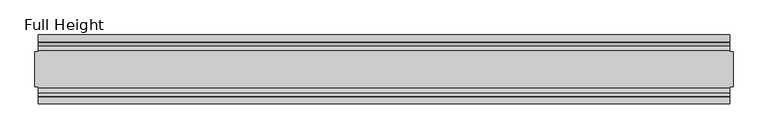
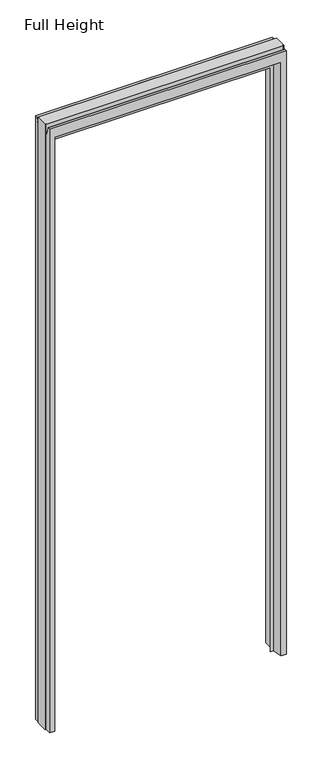
"""IFC4 building model written with IfcOpenShell, lengths in millimetres: plate geometry, Full Height."""

from ifc_helpers import new_model, si_unit, frame, origin, place, context, project, spatial, polyline, circle_curve, source, transform, mapped, element, save
from ifc_brep_helpers import plane_surface, cylinder_surface, revolved_surface, advanced_brep


def full_height_f71af475(model_context):
    return source(origin(), model_context, "Body", "AdvancedBrep", [
        advanced_brep(
        [(-503.428, -50.0, 0.0), (-503.428, -25.146, 0.0), (-508.0, -25.146, 0.0), (-508.0, 25.146, 0.0), (-503.428, 25.146, 0.0), (-503.428, 50.0, 0.0), (-475.361, 50.0, 0.0), (-475.361, -4.8306519, 0.0), (-462.661, -4.8306519, 0.0), (-462.661, -6.1006519, 0.0), (-475.361, -6.1006519, 0.0), (-481.33, -50.0, 0.0), (503.428, 50.0, 0.0), (503.428, 25.146, 0.0), (508.0, 25.146, 0.0), (508.0, -25.146, 0.0), (503.428, -25.146, 0.0), (503.428, -50.0, 0.0), (481.33, -50.0, 0.0), (475.361, -6.1006519, 0.0), (462.661, -6.1006519, 0.0), (462.661, -4.8306519, 0.0), (475.361, -4.8306519, 0.0), (475.361, 50.0, 0.0), (508.0, -25.146, 2720.34), (508.0, 25.146, 2720.34), (503.428, 25.146, 2720.34), (503.428, 26.67, 2720.34), (-503.428, 26.67, 2720.34), (-503.428, 25.146, 2720.34), (-508.0, 25.146, 2720.34), (-508.0, -25.146, 2720.34), (-503.428, -25.146, 2720.34), (-503.428, -26.67, 2720.34), (503.428, -26.67, 2720.34), (503.428, -25.146, 2720.34), (-503.428, 26.67, 2683.129), (-503.428, 34.2321175, 2682.4674004), (-503.428, 39.1867152, 2710.5663199), (-503.428, 39.9371387, 2711.196), (-503.428, 50.0, 2711.196), (-503.428, -50.0, 2711.196), (-503.428, -39.9371387, 2711.196), (-503.428, -39.1867152, 2710.5663199), (-503.428, -34.2321175, 2682.4674004), (-503.428, -26.67, 2683.129), (503.428, 50.0, 2711.196), (475.361, 50.0, 2666.619), (-475.361, 50.0, 2666.619), (-481.33, -50.0, 2666.619), (481.33, -50.0, 2666.619), (503.428, -50.0, 2711.196), (503.428, -26.67, 2683.129), (503.428, -34.2321175, 2682.4674004), (503.428, -39.1867152, 2710.5663199), (503.428, -39.9371387, 2711.196), (503.428, 39.9371387, 2711.196), (503.428, 39.1867152, 2710.5663199), (503.428, 34.2321175, 2682.4674004), (503.428, 26.67, 2683.129), (-475.361, -4.8306519, 2666.619), (475.361, -4.8306519, 2666.619), (462.661, -4.8306519, 2622.55), (-462.661, -4.8306519, 2622.55), (-462.661, -6.1006519, 2622.55), (462.661, -6.1006519, 2622.55), (475.361, -6.1006519, 2660.65), (-475.361, -6.1006519, 2660.65)],
        [
            (0, 1),
            (1, 2),
            (2, 3),
            (3, 4),
            (4, 5),
            (5, 6),
            (6, 7),
            (7, 8),
            (8, 9),
            (9, 10),
            (10, 11),
            (11, 0),
            (12, 13),
            (13, 14),
            (14, 15),
            (15, 16),
            (16, 17),
            (17, 18),
            (18, 19),
            (19, 20),
            (20, 21),
            (21, 22),
            (22, 23),
            (23, 12),
            (24, 25),
            (25, 26),
            (26, 27),
            (27, 28),
            (28, 29),
            (29, 30),
            (30, 31),
            (31, 32),
            (32, 33),
            (33, 34),
            (34, 35),
            (35, 24),
            (15, 24),
            (35, 16),
            (25, 14),
            (13, 26),
            (30, 3),
            (2, 31),
            (29, 4),
            (1, 32),
            (28, 36),
            (36, 37, circle_curve(frame((-503.428, 30.48, 2683.129), z_axis=(1.0, 0.0, 0.0), x_axis=(0.0, 1.0, 0.0)), 3.81)),
            (37, 38),
            (38, 39, circle_curve(frame((-503.428, 39.9371387, 2710.434), z_axis=(-1.0, 0.0, 0.0), x_axis=(0.0, 1.0, 0.0)), 0.762)),
            (39, 40),
            (40, 5),
            (0, 41),
            (41, 42),
            (42, 43, circle_curve(frame((-503.428, -39.9371387, 2710.434), z_axis=(-1.0, 0.0, 0.0), x_axis=(0.0, 1.0, 0.0)), 0.762)),
            (43, 44),
            (44, 45, circle_curve(frame((-503.428, -30.48, 2683.129), z_axis=(1.0, 0.0, 0.0), x_axis=(0.0, 1.0, 0.0)), 3.81)),
            (45, 33),
            (40, 46),
            (46, 12),
            (23, 47),
            (47, 48),
            (48, 6),
            (11, 49),
            (49, 50),
            (50, 18),
            (17, 51),
            (51, 41),
            (34, 52),
            (52, 53, circle_curve(frame((503.428, -30.48, 2683.129), z_axis=(-1.0, 0.0, 0.0), x_axis=(0.0, 1.0, 0.0)), 3.81)),
            (53, 54),
            (54, 55, circle_curve(frame((503.428, -39.9371387, 2710.434), z_axis=(1.0, 0.0, 0.0), x_axis=(0.0, 1.0, 0.0)), 0.762)),
            (55, 51),
            (46, 56),
            (56, 57, circle_curve(frame((503.428, 39.9371387, 2710.434), z_axis=(1.0, 0.0, 0.0), x_axis=(0.0, 1.0, 0.0)), 0.762)),
            (57, 58),
            (58, 59, circle_curve(frame((503.428, 30.48, 2683.129), z_axis=(-1.0, 0.0, 0.0), x_axis=(0.0, 1.0, 0.0)), 3.81)),
            (59, 27),
            (48, 60),
            (60, 7),
            (61, 47),
            (22, 61),
            (60, 61),
            (21, 62),
            (62, 63),
            (63, 8),
            (63, 64),
            (64, 9),
            (64, 65),
            (65, 20),
            (19, 66),
            (66, 67),
            (67, 10),
            (67, 49),
            (50, 66),
            (65, 62),
            (45, 52),
            (44, 53),
            (43, 54),
            (42, 55),
            (39, 56),
            (38, 57),
            (37, 58),
            (36, 59),
        ],
        [
            plane_surface(frame((-503.428, 50.0, 0.0), z_axis=(0.0, 0.0, -1.0), x_axis=(0.0, -1.0, 0.0))),
            plane_surface(frame((503.428, -25.146, 2720.34), z_axis=(0.0, 0.0, 1.0), x_axis=(-1.0, 0.0, 0.0))),
            plane_surface(frame((508.0, -25.146, 2720.34), z_axis=(0.0, -1.0, 0.0), x_axis=(0.0, 0.0, -1.0))),
            plane_surface(frame((503.428, 25.146, 2720.34), z_axis=(0.0, 1.0, 0.0), x_axis=(0.0, 0.0, -1.0))),
            plane_surface(frame((508.0, 25.146, 2720.34), z_axis=(1.0, 0.0, 0.0), x_axis=(0.0, 0.0, -1.0))),
            plane_surface(frame((-508.0, -25.146, 2720.34), z_axis=(-1.0, 0.0, 0.0), x_axis=(0.0, 0.0, -1.0))),
            plane_surface(frame((-508.0, 25.146, 2720.34), z_axis=(0.0, 1.0, 0.0), x_axis=(0.0, 0.0, -1.0))),
            plane_surface(frame((-503.428, -25.146, 2720.34), z_axis=(0.0, -1.0, 0.0), x_axis=(0.0, 0.0, -1.0))),
            plane_surface(frame((-503.428, -50.0, 2678.4046), z_axis=(-1.0, 0.0, 0.0), x_axis=(0.0, 0.0, -1.0))),
            plane_surface(frame((-503.428, 50.0, 2678.4046), z_axis=(0.0, 1.0, 0.0), x_axis=(0.0, 0.0, -1.0))),
            plane_surface(frame((-481.33, -50.0, 2678.4046), z_axis=(0.0, -1.0, 0.0), x_axis=(0.0, 0.0, -1.0))),
            plane_surface(frame((503.428, 50.0, 2678.4046), z_axis=(1.0, 0.0, 0.0), x_axis=(0.0, 0.0, -1.0))),
            plane_surface(frame((-475.361, 50.0, 2678.4046), z_axis=(1.0, 0.0, 0.0), x_axis=(0.0, 0.0, -1.0))),
            plane_surface(frame((475.361, -4.8306519, 2678.4046), z_axis=(-1.0, 0.0, 0.0), x_axis=(0.0, 0.0, -1.0))),
            plane_surface(frame((-475.361, -4.8306519, 2678.4046), z_axis=(0.0, 1.0, 0.0), x_axis=(0.0, 0.0, -1.0))),
            plane_surface(frame((-462.661, -4.8306519, 2678.4046), z_axis=(1.0, 0.0, 0.0), x_axis=(0.0, 0.0, -1.0))),
            plane_surface(frame((-462.661, -6.1006519, 2678.4046), z_axis=(0.0, -1.0, 0.0), x_axis=(0.0, 0.0, -1.0))),
            plane_surface(frame((-475.361, -6.1006519, 2678.4046), z_axis=(0.9908822943533605, -0.13473039277394036, 0.0), x_axis=(0.0, 0.0, -1.0))),
            plane_surface(frame((481.33, -50.0, 2678.4046), z_axis=(-0.990882294353361, -0.13473039277393736, 0.0), x_axis=(0.0, 0.0, -1.0))),
            plane_surface(frame((462.661, -6.1006519, 2678.4046), z_axis=(-1.0, 0.0, 0.0), x_axis=(0.0, 0.0, -1.0))),
            plane_surface(frame((-503.428, -26.67, 2720.34), z_axis=(0.0, -1.0, 0.0), x_axis=(1.0, 0.0, 0.0))),
            revolved_surface(polyline([(503.428, -26.67, 2683.129), (-503.428, -26.67, 2683.129)]), (503.428, -30.48, 2683.129), (1.0, 0.0, 0.0)),
            plane_surface(frame((-503.428, -34.2321175, 2682.4674004), z_axis=(0.0, 0.9848077530121587, 0.1736481776672104), x_axis=(1.0, 0.0, 0.0))),
            cylinder_surface(frame((503.428, -39.9371387, 2710.434), z_axis=(-1.0, 0.0, 0.0), x_axis=(0.0, 1.0, 0.0)), 0.762),
            plane_surface(frame((-503.428, -39.9371387, 2711.196), z_axis=(0.0, 0.0, 1.0), x_axis=(1.0, 0.0, 0.0))),
            plane_surface(frame((-503.428, -4.8306519, 2666.619), z_axis=(0.0, 0.0, -1.0), x_axis=(1.0, 0.0, 0.0))),
            plane_surface(frame((-503.428, 50.0, 2711.196), z_axis=(0.0, 0.0, 1.0), x_axis=(1.0, 0.0, 0.0))),
            cylinder_surface(frame((503.428, 39.9371387, 2710.434), z_axis=(-1.0, 0.0, 0.0), x_axis=(0.0, 1.0, 0.0)), 0.762),
            plane_surface(frame((-503.428, 39.1867152, 2710.5663199), z_axis=(0.0, -0.9848077530121684, 0.1736481776671558), x_axis=(1.0, 0.0, 0.0))),
            revolved_surface(polyline([(503.428, 34.29, 2683.129), (-503.428, 34.29, 2683.129)]), (503.428, 30.48, 2683.129), (1.0, 0.0, 0.0)),
            plane_surface(frame((-503.428, 26.67, 2683.129), z_axis=(0.0, 1.0, 0.0), x_axis=(1.0, 0.0, 0.0))),
            plane_surface(frame((-503.428, -50.0, 2666.619), z_axis=(0.0, -0.13473039277391335, -0.9908822943533642), x_axis=(1.0, 0.0, 0.0))),
            plane_surface(frame((-503.428, -6.1006519, 2622.55), z_axis=(0.0, 0.0, -1.0), x_axis=(1.0, 0.0, 0.0))),
        ],
        [
            (0, [[1, 2, 3, 4, 5, 6, 7, 8, 9, 10, 11, 12]]),
            (0, [[13, 14, 15, 16, 17, 18, 19, 20, 21, 22, 23, 24]]),
            (1, [[25, 26, 27, 28, 29, 30, 31, 32, 33, 34, 35, 36]]),
            (2, [[-16, 37, -36, 38]]),
            (3, [[39, -14, 40, -26]]),
            (4, [[-37, -15, -39, -25]]),
            (5, [[41, -3, 42, -31]]),
            (6, [[-4, -41, -30, 43]]),
            (7, [[-42, -2, 44, -32]]),
            (8, [[-43, -29, 45, 46, 47, 48, 49, 50, -5]]),
            (8, [[51, 52, 53, 54, 55, 56, -33, -44, -1]]),
            (9, [[57, 58, -24, 59, 60, 61, -6, -50]]),
            (10, [[62, 63, 64, -18, 65, 66, -51, -12]]),
            (11, [[-38, -35, 67, 68, 69, 70, 71, -65, -17]]),
            (11, [[72, 73, 74, 75, 76, -27, -40, -13, -58]]),
            (12, [[-61, 77, 78, -7]]),
            (13, [[79, -59, -23, 80]]),
            (14, [[-78, 81, -80, -22, 82, 83, 84, -8]]),
            (15, [[-84, 85, 86, -9]]),
            (16, [[-86, 87, 88, -20, 89, 90, 91, -10]]),
            (17, [[92, -62, -11, -91]]),
            (18, [[-64, 93, -89, -19]]),
            (19, [[-88, 94, -82, -21]]),
            (20, [[95, -67, -34, -56]]),
            (21, [[96, -68, -95, -55]]),
            (22, [[97, -69, -96, -54]]),
            (23, [[98, -70, -97, -53]]),
            (24, [[-66, -71, -98, -52]]),
            (25, [[-79, -81, -77, -60]]),
            (26, [[99, -72, -57, -49]]),
            (27, [[100, -73, -99, -48]]),
            (28, [[101, -74, -100, -47]]),
            (29, [[102, -75, -101, -46]]),
            (30, [[-28, -76, -102, -45]]),
            (31, [[-92, -90, -93, -63]]),
            (32, [[-85, -83, -94, -87]]),
        ],
    ),
    ])


if __name__ == "__main__":
    model = new_model("IFC4")
    model_context = context("Model", 3, world=origin())
    ifc_project = project(units=[si_unit("LENGTHUNIT", "METRE", prefix="MILLI")], contexts=[model_context])
    site = spatial("IfcSite", under=ifc_project)
    building = spatial("IfcBuilding", under=site)
    placement = place(None, origin())
    full_height_shape = full_height_f71af475(model_context)
    element("IfcPlate", 1, ObjectType="Full Height", at=placement, inside=building, context=model_context, shape_type="MappedRepresentation", body=[
        mapped(full_height_shape, transform((0.0, 0.0, 0.0), x_axis=(1.0, 0.0, 0.0), y_axis=(0.0, 1.0, 0.0), z_axis=(0.0, 0.0, 1.0))),
    ])
    save(model, "model.ifc")
